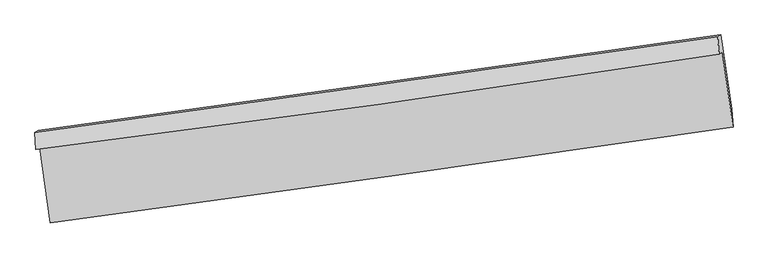
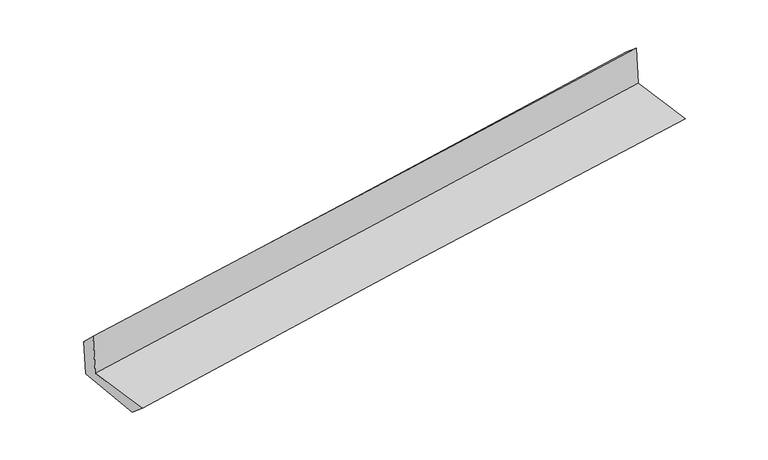
"""IFC4 building model written with IfcOpenShell, lengths in millimetres: proxy geometry."""

from ifc_helpers import new_model, si_unit, frame, origin, place, context, project, spatial, source, transform, mapped, element, save
from ifc_brep_helpers import plane_surface, spline_curve, spline_surface, advanced_brep


def generic_models_878be0ce(model_context):
    return source(origin(), model_context, "Body", "AdvancedBrep", [
        advanced_brep(
        [(-2981.5402794, -1912.146836, 1639.0423928), (-2890.0726025, -2567.8871697, 1632.6451768), (3029.198071, -1736.1054446, 2123.6334112), (2936.8666727, -1085.7419572, 2140.1176585), (-3013.3904744, -1929.09707, 2053.1035768), (2907.1299405, -1101.4617144, 2526.508361), (-3021.7361062, -1782.8376136, 1908.574553), (2896.1157018, -951.3482963, 2405.7264145), (-2994.5820307, -1767.2950618, 1553.7315397), (2923.7990584, -935.5027927, 2043.9668818), (-2901.0175484, -2412.4458533, 1504.1691677), (3018.1327264, -1580.666759, 1994.4575913)],
        [
            (0, 1),
            (1, 2, spline_curve(3, [(-2890.0726025, -2567.8871697, 1632.6451768), (-1904.022040194, -2436.116533049, 1732.058488289), (-917.725975798, -2300.916332218, 1822.680714461), (1055.364244931, -2023.655806723, 1986.343585898), (2042.158405114, -1881.595432247, 2059.384104169), (3029.198071, -1736.1054446, 2123.6334112)], [4, 2, 4], [0.0, 9.838350932466655, 19.67677255380333])),
            (2, 3),
            (3, 0, spline_curve(3, [(2936.8666727, -1085.7419572, 2140.1176585), (1951.860998821, -1241.829524989, 2070.675199646), (966.155808272, -1388.740596755, 1994.197522816), (-1006.646518974, -1664.208757824, 1827.172333022), (-1993.743645924, -1792.76597902, 1736.62492131), (-2981.5402794, -1912.146836, 1639.0423928)], [4, 2, 4], [0.0, 9.838421621336673, 19.67677255380333])),
            (4, 0),
            (3, 5),
            (5, 4, spline_curve(3, [(2907.1299405, -1101.4617144, 2526.508361), (1921.834344545, -1257.75626143, 2460.926622553), (935.80807039, -1404.873362754, 2388.685189072), (-1037.69874536, -1680.751682753, 2230.883498431), (-2025.179275926, -1809.513033324, 2145.323337211), (-3013.3904744, -1929.09707, 2053.1035768)], [4, 2, 4], [0.0, 9.837924827036439, 19.675778968772313])),
            (6, 4),
            (5, 7),
            (7, 6, spline_curve(3, [(2896.1157018, -951.3482963, 2405.7264145), (1910.294975376, -1092.778898511, 2321.798823734), (924.228522042, -1232.785220084, 2238.405559472), (-1048.388750808, -1509.948305207, 2072.688280068), (-2034.939566911, -1647.105089563, 1990.364256859), (-3021.7361062, -1782.8376136, 1908.574553)], [4, 2, 4], [0.0, 9.837329728891895, 19.674588776758995])),
            (8, 6),
            (7, 9),
            (9, 8, spline_curve(3, [(2923.7990584, -935.5027927, 2043.9668818), (1937.459595273, -1077.230311502, 1966.81801754), (951.089667646, -1217.410336712, 1887.390485397), (-1021.704029178, -1494.674404016, 1723.97867206), (-2008.127798096, -1631.758468436, 1639.994423571), (-2994.5820307, -1767.2950618, 1553.7315397)], [4, 2, 4], [0.0, 9.83702919281632, 19.673987706767193])),
            (10, 8),
            (9, 11),
            (11, 10, spline_curve(3, [(3018.1327264, -1580.666759, 1994.4575913), (2031.667686788, -1722.410242524, 1917.29848727), (1045.170871729, -1862.597152162, 1837.861411936), (-927.87922014, -2139.856827782, 1674.431904585), (-1914.432496927, -2276.929616209, 1590.439505495), (-2901.0175484, -2412.4458533, 1504.1691677)], [4, 2, 4], [0.0, 9.8376781715349, 19.675285659541455])),
            (1, 10),
            (11, 2),
        ],
        [
            spline_surface(3, 3, [[(-2981.5402794, -1912.146836, 1639.0423928), (-1993.743645883, -1792.765979171, 1736.624921396), (-1006.64651907, -1664.208757809, 1827.172333093), (966.155808368, -1388.740596771, 1994.197522745), (1951.860998883, -1241.82952514, 2070.675199635), (2936.8666727, -1085.7419572, 2140.1176585)], [(-2951.051053752, -2130.726947249, 1636.909987446), (-1963.836443985, -2007.216163828, 1735.102776956), (-977.006338005, -1876.44461598, 1825.675126908), (995.891953942, -1600.379000033, 1991.579543725), (1981.960134327, -1455.084827507, 2066.911501116), (2967.643805456, -1302.529786304, 2134.62290941)], [(-2920.561828148, -2349.307058451, 1634.777582154), (-1933.929242131, -2221.66634844, 1733.580632576), (-947.366156981, -2088.680474182, 1824.177920791), (1025.628099476, -1812.017403326, 1988.961564774), (2012.059269802, -1668.340129961, 2063.147802564), (2998.420938244, -1519.317615496, 2129.12816029)], [(-2890.0726025, -2567.8871697, 1632.6451768), (-1904.022040232, -2436.116533097, 1732.058488136), (-917.725975917, -2300.916332353, 1822.680714605), (1055.36424505, -2023.655806588, 1986.343585754), (2042.158405245, -1881.595432328, 2059.384104045), (3029.198071, -1736.1054446, 2123.6334112)]], [4, 4], [4, 2, 4], [0.0, 2.1064594287499028], [0.0, 9.838350932466655, 19.67677255380333]),
            spline_surface(3, 3, [[(-3013.3904744, -1929.09707, 2053.1035768), (-2025.179275876, -1809.513033315, 2145.323337345), (-1037.69874523, -1680.751682735, 2230.883498534), (935.80807026, -1404.873362772, 2388.685188969), (1921.834344534, -1257.756261436, 2460.926622509), (2907.1299405, -1101.4617144, 2526.508361)], [(-3002.77374273, -1923.446991996, 1915.083182138), (-2014.700732541, -1803.93068193, 2009.090532033), (-1027.34800319, -1675.237374446, 2096.313110071), (945.923982949, -1399.495774125, 2257.189300244), (1931.843229317, -1252.447349339, 2330.842814876), (2917.042184567, -1096.221795335, 2397.711460159)], [(-2992.15701107, -1917.796914004, 1777.062787462), (-2004.222189218, -1798.348330556, 1872.857726708), (-1016.99726111, -1669.723066097, 1961.742721557), (956.039895679, -1394.118185418, 2125.69341147), (1941.8521141, -1247.138437237, 2200.759007268), (2926.954428633, -1090.981876265, 2268.914559341)], [(-2981.5402794, -1912.146836, 1639.0423928), (-1993.743645883, -1792.765979171, 1736.624921396), (-1006.64651907, -1664.208757809, 1827.172333093), (966.155808368, -1388.740596771, 1994.197522745), (1951.860998883, -1241.82952514, 2070.675199635), (2936.8666727, -1085.7419572, 2140.1176585)]], [4, 4], [4, 2, 4], [0.0, 1.3143428352444062], [0.0, 9.837854141735875, 19.675778968772313]),
            spline_surface(3, 3, [[(-3021.7361062, -1782.8376136, 1908.574553), (-2034.939566965, -1647.105089668, 1990.364256996), (-1048.388750819, -1509.948305294, 2072.688280028), (924.228522053, -1232.785219997, 2238.405559512), (1910.294975225, -1092.778898598, 2321.798823656), (2896.1157018, -951.3482963, 2405.7264145)], [(-3018.95422895, -1831.590765733, 1956.75089427), (-2031.686136619, -1701.241070884, 2042.017283783), (-1044.82541564, -1566.882764444, 2125.420019522), (928.088371439, -1290.147934258, 2288.498769322), (1914.14143166, -1147.771352899, 2368.174756618), (2899.787114698, -1001.386102354, 2445.987063344)], [(-3016.17235165, -1880.343917867, 2004.92723553), (-2028.432706222, -1755.377052099, 2093.670310559), (-1041.26208041, -1623.817223584, 2178.151759041), (931.948220874, -1347.51064851, 2338.591979158), (1917.987888099, -1202.763807136, 2414.550689548), (2903.458527602, -1051.423908346, 2486.247712156)], [(-3013.3904744, -1929.09707, 2053.1035768), (-2025.179275876, -1809.513033315, 2145.323337345), (-1037.69874523, -1680.751682735, 2230.883498534), (935.80807026, -1404.873362772, 2388.685188969), (1921.834344534, -1257.756261436, 2460.926622509), (2907.1299405, -1101.4617144, 2526.508361)]], [4, 4], [4, 2, 4], [0.0, 0.7574890779393646], [0.0, 9.8372590478671, 19.674588776758995]),
            spline_surface(3, 3, [[(-2994.5820307, -1767.2950618, 1553.7315397), (-2008.127797941, -1631.758468535, 1639.994423477), (-1021.704029167, -1494.674404108, 1723.978672005), (951.089667635, -1217.41033662, 1887.390485453), (1937.459595234, -1077.230311397, 1966.818017618), (2923.7990584, -935.5027927, 2043.9668818)], [(-3003.633389192, -1772.47591238, 1672.012544123), (-2017.065054274, -1636.874008892, 1756.784367973), (-1030.598936362, -1499.765704507, 1840.215208017), (942.135952463, -1222.535297749, 2004.395510143), (1928.404721917, -1082.413173806, 2085.144952945), (2914.571272886, -940.784627242, 2164.553392681)], [(-3012.684747708, -1777.65676302, 1790.293548577), (-2026.002310632, -1641.98954931, 1873.5743125), (-1039.493843624, -1504.857004895, 1956.451744016), (933.182237225, -1227.660258868, 2121.400534821), (1919.349848542, -1087.596036189, 2203.471888329), (2905.343487314, -946.066461758, 2285.139903619)], [(-3021.7361062, -1782.8376136, 1908.574553), (-2034.939566965, -1647.105089668, 1990.364256996), (-1048.388750819, -1509.948305294, 2072.688280028), (924.228522053, -1232.785219997, 2238.405559512), (1910.294975225, -1092.778898598, 2321.798823656), (2896.1157018, -951.3482963, 2405.7264145)]], [4, 4], [4, 2, 4], [0.0, 1.1522956636003199], [0.0, 9.836958513950872, 19.673987706767193]),
            spline_surface(3, 3, [[(-2901.0175484, -2412.4458533, 1504.1691677), (-1914.432496927, -2276.929616303, 1590.439505589), (-927.87922024, -2139.856827843, 1674.431904628), (1045.170871829, -1862.597152101, 1837.861411893), (2031.667686717, -1722.410242482, 1917.298487392), (3018.1327264, -1580.666759, 1994.4575913)], [(-2932.205709164, -2197.395589473, 1520.689958365), (-1945.664263929, -2061.872567053, 1606.95781155), (-959.154156557, -1924.796019904, 1690.947493757), (1013.810470423, -1647.534880246, 1854.371103083), (2000.264989542, -1507.350265445, 1933.804997471), (2986.688170386, -1365.612103558, 2010.960688137)], [(-2963.393869936, -1982.345325627, 1537.210749035), (-1976.896030938, -1846.815517785, 1623.476117517), (-990.42909285, -1709.735212047, 1707.463082876), (982.450069041, -1432.472608474, 1870.880794263), (1968.862292408, -1292.290288434, 1950.311507539), (2955.243614414, -1150.557448142, 2027.463784963)], [(-2994.5820307, -1767.2950618, 1553.7315397), (-2008.127797941, -1631.758468535, 1639.994423477), (-1021.704029167, -1494.674404108, 1723.978672005), (951.089667635, -1217.41033662, 1887.390485453), (1937.459595234, -1077.230311397, 1966.818017618), (2923.7990584, -935.5027927, 2043.9668818)]], [4, 4], [4, 2, 4], [0.0, 2.145238742460899], [0.0, 9.837607488006554, 19.675285659541455]),
            spline_surface(3, 3, [[(-2890.0726025, -2567.8871697, 1632.6451768), (-1904.022040232, -2436.116533097, 1732.058488136), (-917.725975917, -2300.916332353, 1822.680714605), (1055.36424505, -2023.655806588, 1986.343585754), (2042.158405245, -1881.595432328, 2059.384104045), (3029.198071, -1736.1054446, 2123.6334112)], [(-2893.720917812, -2516.073397569, 1589.819840458), (-1907.492192476, -2383.054227502, 1684.852160645), (-921.110390689, -2247.22983086, 1773.264444619), (1051.966453978, -1969.969588436, 1936.849527807), (2038.661499075, -1828.533702387, 2012.02223183), (3025.509622806, -1684.292549407, 2080.574804569)], [(-2897.369233088, -2464.259625431, 1546.994504042), (-1910.962344683, -2329.991921898, 1637.64583308), (-924.494805468, -2193.543329336, 1723.848174614), (1048.5686629, -1916.283370252, 1887.35546984), (2035.164592887, -1775.471972424, 1964.660359607), (3021.821174594, -1632.479654193, 2037.516197931)], [(-2901.0175484, -2412.4458533, 1504.1691677), (-1914.432496927, -2276.929616303, 1590.439505589), (-927.87922024, -2139.856827843, 1674.431904628), (1045.170871829, -1862.597152101, 1837.861411893), (2031.667686717, -1722.410242482, 1917.298487392), (3018.1327264, -1580.666759, 1994.4575913)]], [4, 4], [4, 2, 4], [0.0, 0.7192140057813273], [0.0, 9.838513662320363, 19.677098014679963]),
            plane_surface(frame((2951.8736952, -1231.804494, 2205.7350531), z_axis=(0.9870577082962859, 0.1380637385368988, 0.0815811534246673), x_axis=(-0.07622844843158517, -0.04363192570933362, 0.9961352712903044))),
            plane_surface(frame((-2967.0565069, -2061.9516007, 1715.2110678), z_axis=(-0.987221580084383, -0.13690970467911648, -0.08154314551433182), x_axis=(-0.13814369434362586, 0.9903650694994763, 0.009661719743002957))),
        ],
        [
            (0, [[1, 2, 3, 4]]),
            (1, [[5, -4, 6, 7]]),
            (2, [[8, -7, 9, 10]]),
            (3, [[11, -10, 12, 13]]),
            (4, [[14, -13, 15, 16]]),
            (5, [[17, -16, 18, -2]]),
            (6, [[-12, -9, -6, -3, -18, -15]]),
            (7, [[-1, -5, -8, -11, -14, -17]]),
        ],
    ),
    ])


if __name__ == "__main__":
    model = new_model("IFC4")
    model_context = context("Model", 3, world=origin())
    ifc_project = project(units=[si_unit("LENGTHUNIT", "METRE", prefix="MILLI")], contexts=[model_context])
    site = spatial("IfcSite", under=ifc_project)
    building = spatial("IfcBuilding", under=site)
    placement = place(None, origin())
    generic_models_shape = generic_models_878be0ce(model_context)
    element("IfcBuildingElementProxy", 1, Name="Generic Models", at=placement, inside=building, context=model_context, shape_type="MappedRepresentation", body=[
        mapped(generic_models_shape, transform((0.0, 0.0, 0.0), x_axis=(1.0, 0.0, 0.0), y_axis=(0.0, 1.0, 0.0), z_axis=(0.0, 0.0, 1.0))),
    ])
    save(model, "model.ifc")
